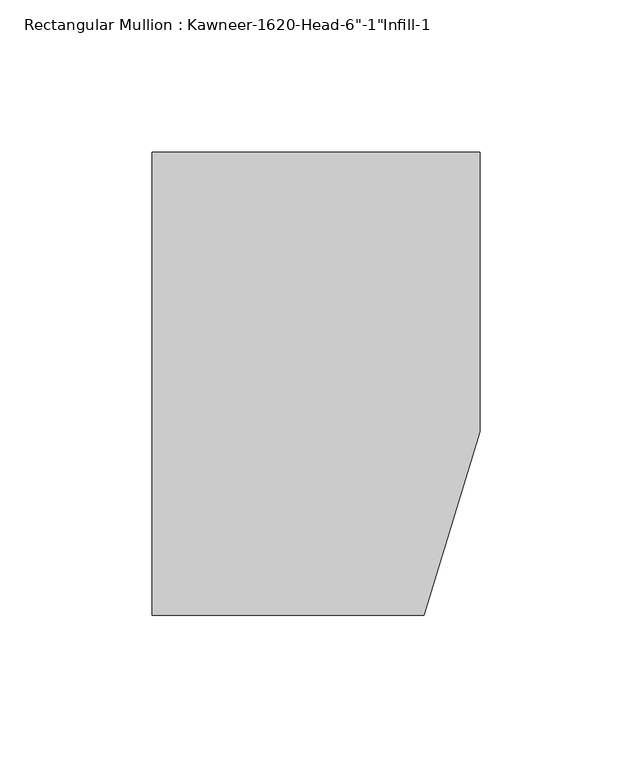
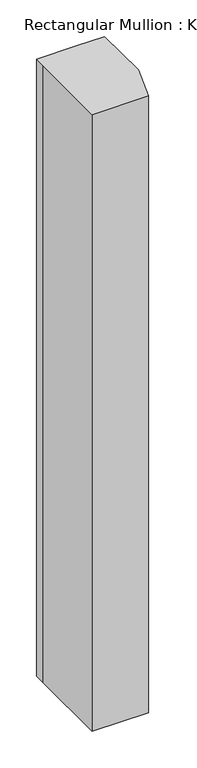
"""IFC4 building model written with IfcOpenShell, lengths in millimetres: member geometry."""

from ifc_helpers import new_model, si_unit, frame, origin, place, context, project, spatial, polyline, outline, extrude, source, transform, mapped, element, save


def member_279c85b4(model_context):
    return source(origin(), model_context, "Body", "SweptSolid", [
        extrude(outline(polyline([(-107.95, 19.9095466), (-107.95, 38.1), (-44.1519366, 38.1), (0.0, 38.1), (0.0, -53.975), (-18.3538271, -114.3), (-107.95, -114.3), (-107.95, 19.9095466)])), frame((0.0, 0.0, -1030.0568005), z_axis=(0.0, 0.0, 1.0), x_axis=(1.0, 0.0, 0.0)), (0.0, 0.0, 1.0), 1030.0568005),
    ])


if __name__ == "__main__":
    model = new_model("IFC4")
    model_context = context("Model", 3, world=origin())
    ifc_project = project(units=[si_unit("LENGTHUNIT", "METRE", prefix="MILLI")], contexts=[model_context])
    site = spatial("IfcSite", under=ifc_project)
    building = spatial("IfcBuilding", under=site)
    placement = place(None, origin())
    member_shape = member_279c85b4(model_context)
    element("IfcMember", 1, ObjectType="Rectangular Mullion : Kawneer-1620-Head-6\"-1\"Infill-1", at=placement, inside=building, context=model_context, shape_type="MappedRepresentation", body=[
        mapped(member_shape, transform((0.0, 0.0, 0.0), x_axis=(1.0, 0.0, 0.0), y_axis=(0.0, 1.0, 0.0), z_axis=(0.0, 0.0, 1.0))),
    ])
    save(model, "model.ifc")
